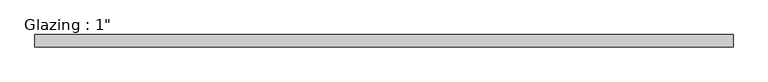
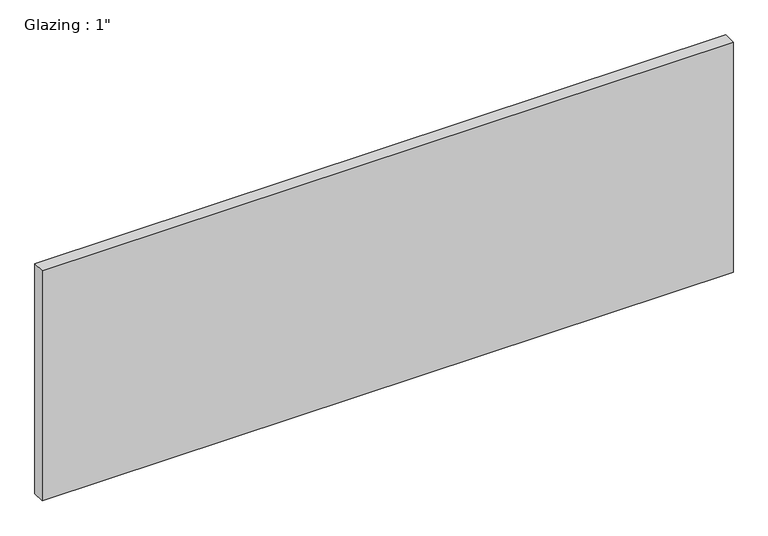
"""IFC4 building model written with IfcOpenShell, lengths in millimetres: plate geometry."""

import ifcopenshell
import ifcopenshell.guid

model = None  # the IFC model being written
_history = None  # IfcOwnerHistory: only IFC2X3 demands one
_inside = {}  # id of a spatial element -> (the spatial element, [elements in it])
_under = {}  # id of a project, library or spatial element -> (it, [spatial elements below it])
_declared = {}  # id of a project -> (the project, [libraries it declares])
_typed = {}  # id of a type object -> (the type object, [elements of that type])
_made_of = {}  # id of a material, layer set ... -> (it, [elements and type objects made of it])


def new_model(schema):
    """Start an empty IFC model of exactly this schema.

    Asked for "IFC4X3", IfcOpenShell would pick the latest addendum, in which some entities
    have other attributes; the version numbers below select the first issue.
    IFC2X3 requires an IfcOwnerHistory on every rooted entity: one is made here for all.
    """
    global model, _history
    if schema == "IFC4X3":
        model = ifcopenshell.file(schema_version=(4, 3, 0, 0))
    else:
        model = ifcopenshell.file(schema=schema)
    _inside.clear()
    _under.clear()
    _declared.clear()
    _typed.clear()
    _made_of.clear()
    _history = None
    if model.schema == "IFC2X3":
        org = make("IfcOrganization", Name="unknown")
        user = make(
            "IfcPersonAndOrganization",
            ThePerson=make("IfcPerson", FamilyName="unknown"),
            TheOrganization=org,
        )
        app = make(
            "IfcApplication",
            ApplicationDeveloper=org,
            Version="unknown",
            ApplicationFullName="unknown",
            ApplicationIdentifier="unknown",
        )
        _history = make(
            "IfcOwnerHistory",
            OwningUser=user,
            OwningApplication=app,
            ChangeAction="ADDED",
            CreationDate=0,
        )
    return model


def make(cls, **values):
    """One entity of the class cls with the attributes given. An attribute that is None is left unset."""
    return model.create_entity(
        cls, **{name: value for name, value in values.items() if value is not None}
    )


def rooted(cls, **values):
    """An entity with a GlobalId (a new one), such as an element, a storey or a relation."""
    return make(cls, GlobalId=ifcopenshell.guid.new(), OwnerHistory=_history, **values)


def si_unit(unit_type, name, prefix=None):
    """IfcSIUnit, for example si_unit("LENGTHUNIT", "METRE", prefix="MILLI")."""
    return make("IfcSIUnit", UnitType=unit_type, Prefix=prefix, Name=name)


def assignment(units):
    """IfcUnitAssignment: the units of a project."""
    return None if units is None else make("IfcUnitAssignment", Units=units)


def point(xyz):
    """IfcCartesianPoint."""
    return None if xyz is None else make("IfcCartesianPoint", Coordinates=xyz)


def direction(xyz):
    """IfcDirection."""
    return None if xyz is None else make("IfcDirection", DirectionRatios=xyz)


def frame(location, z_axis=None, x_axis=None):
    """IfcAxis2Placement3D, a coordinate frame: its origin and axes. An axis left out is left unset."""
    return make(
        "IfcAxis2Placement3D",
        Location=point(location),
        Axis=direction(z_axis),
        RefDirection=direction(x_axis),
    )


def origin():
    """The frame at (0, 0, 0) with its axes left unset."""
    return frame((0.0, 0.0, 0.0))


def origin_with_axes():
    """The frame at (0, 0, 0) with the z axis (0, 0, 1) and the x axis (1, 0, 0) written out."""
    return frame((0.0, 0.0, 0.0), z_axis=(0.0, 0.0, 1.0), x_axis=(1.0, 0.0, 0.0))


def place(relative_to, where):
    """IfcLocalPlacement: puts the frame where relative to a parent placement (None: the world)."""
    return make(
        "IfcLocalPlacement", PlacementRelTo=relative_to, RelativePlacement=where
    )


def context(
    kind, dimensions, precision=None, world=None, true_north=None, identifier=None
):
    """IfcGeometricRepresentationContext, for example the 3D "Model" context."""
    return make(
        "IfcGeometricRepresentationContext",
        ContextIdentifier=identifier,
        ContextType=kind,
        CoordinateSpaceDimension=dimensions,
        Precision=precision,
        WorldCoordinateSystem=world,
        TrueNorth=true_north,
    )


def project(units=None, contexts=None):
    """IfcProject with its units and contexts."""
    return rooted(
        "IfcProject",
        Name="project",
        RepresentationContexts=contexts,
        UnitsInContext=assignment(units),
    )


def spatial(cls, under=None, at=None, **own):
    """A site, building, storey or space (cls), placed at a placement, below another one or the project."""
    s = rooted(cls, ObjectPlacement=at, **own)
    if under is not None:
        _under.setdefault(under.id(), (under, []))[1].append(s)
    return s


def polyline(points):
    """IfcPolyline through the points."""
    return make("IfcPolyline", Points=[point(p) for p in points])


def outline(outer, holes=None, kind="AREA"):
    """IfcArbitraryClosedProfileDef: a profile drawn as a closed curve; with holes, ...WithVoids."""
    if holes is None:
        return make("IfcArbitraryClosedProfileDef", ProfileType=kind, OuterCurve=outer)
    return make(
        "IfcArbitraryProfileDefWithVoids",
        ProfileType=kind,
        OuterCurve=outer,
        InnerCurves=holes,
    )


def extrude(swept, where, along, depth):
    """IfcExtrudedAreaSolid: the profile swept, set in the frame where, extruded along a direction by depth."""
    return make(
        "IfcExtrudedAreaSolid",
        SweptArea=swept,
        Position=where,
        ExtrudedDirection=direction(along),
        Depth=depth,
    )


def shape(context_of_items, identifier, shape_type, items):
    """IfcShapeRepresentation: the items that make up one representation, for example the "Body"."""
    return make(
        "IfcShapeRepresentation",
        ContextOfItems=context_of_items,
        RepresentationIdentifier=identifier,
        RepresentationType=shape_type,
        Items=items,
    )


def source(mapping_origin, context_of_items, identifier, shape_type, items):
    """IfcRepresentationMap: a shape defined once, which mapped items show again and again."""
    return make(
        "IfcRepresentationMap",
        MappingOrigin=mapping_origin,
        MappedRepresentation=shape(context_of_items, identifier, shape_type, items),
    )


def transform(
    local_origin,
    x_axis=None,
    y_axis=None,
    z_axis=None,
    scale=None,
    scale2=None,
    scale3=None,
    uniform=True,
):
    """IfcCartesianTransformationOperator3D, or its non-uniform kind. x_axis, y_axis, z_axis: its Axis1, 2, 3."""
    if uniform:
        return make(
            "IfcCartesianTransformationOperator3D",
            Axis1=direction(x_axis),
            Axis2=direction(y_axis),
            LocalOrigin=point(local_origin),
            Scale=scale,
            Axis3=direction(z_axis),
        )
    return make(
        "IfcCartesianTransformationOperator3DnonUniform",
        Axis1=direction(x_axis),
        Axis2=direction(y_axis),
        LocalOrigin=point(local_origin),
        Scale=scale,
        Axis3=direction(z_axis),
        Scale2=scale2,
        Scale3=scale3,
    )


def mapped(mapping_source, mapping_target):
    """IfcMappedItem: shows the shape of a source again, moved by a transform."""
    return make(
        "IfcMappedItem", MappingSource=mapping_source, MappingTarget=mapping_target
    )


def made_of(thing, what):
    """Note that an element or type object is made of a material, layer set ...; save() writes the relation."""
    if what is not None:
        _made_of.setdefault(what.id(), (what, []))[1].append(thing)
    return thing


def element(
    cls,
    number,
    at=None,
    inside=None,
    cuts=None,
    type_object=None,
    material=None,
    context=None,
    identifier="Body",
    shape_type=None,
    held_by="IfcProductDefinitionShape",
    body=None,
    shapes=None,
    **own,
):
    """One element of the class cls, such as IfcWall. Its Tag is "e" and its number.

    at: its placement. inside: the storey or other place that contains it. cuts: it is an
    opening in that element (IfcRelVoidsElement). A single representation is given by context,
    identifier, shape_type and body (its items); several are given by shapes. held_by: the class
    of the entity that holds the representations. save() writes the other relations.
    """
    e = rooted(cls, Tag="e%d" % number, ObjectPlacement=at, **own)
    if body is not None:
        shapes = [shape(context, identifier, shape_type, body)]
    if shapes is not None:
        e.Representation = make(held_by, Representations=shapes)
    if inside is not None:
        _inside.setdefault(inside.id(), (inside, []))[1].append(e)
    if cuts is not None:
        rooted(
            "IfcRelVoidsElement", RelatingBuildingElement=cuts, RelatedOpeningElement=e
        )
    if type_object is not None:
        _typed.setdefault(type_object.id(), (type_object, []))[1].append(e)
    return made_of(e, material)


def aggregate(whole, parts):
    """IfcRelAggregates: a whole, such as a stair, and the parts it consists of."""
    return rooted("IfcRelAggregates", RelatingObject=whole, RelatedObjects=parts)


def save(model, path):
    """Write the relations noted so far, then the file.

    IfcRelAggregates (storeys below a building ...), IfcRelContainedInSpatialStructure (elements
    in a storey), IfcRelDefinesByType, IfcRelAssociatesMaterial and IfcRelDeclares: one each for
    every whole, place, type object, material and project.
    """
    for whole, parts in _under.values():
        aggregate(whole, parts)
    for where, things in _inside.values():
        rooted(
            "IfcRelContainedInSpatialStructure",
            RelatedElements=things,
            RelatingStructure=where,
        )
    for kind, things in _typed.values():
        rooted("IfcRelDefinesByType", RelatedObjects=things, RelatingType=kind)
    for what, things in _made_of.values():
        rooted("IfcRelAssociatesMaterial", RelatedObjects=things, RelatingMaterial=what)
    for by, libraries in _declared.values():
        rooted("IfcRelDeclares", RelatingContext=by, RelatedDefinitions=libraries)
    model.write(path)


def plate_c7c9b788(model_context):
    return source(origin(), model_context, "Body", "SweptSolid", [
        extrude(outline(polyline([(707.3789731, -12.7), (-707.3789731, -12.7), (-707.3789731, 12.7), (707.3789731, 12.7), (707.3789731, -12.7)])), origin_with_axes(), (0.0, 0.0, 1.0), 497.9851068),
    ])


if __name__ == "__main__":
    model = new_model("IFC4")
    model_context = context("Model", 3, world=origin())
    ifc_project = project(units=[si_unit("LENGTHUNIT", "METRE", prefix="MILLI")], contexts=[model_context])
    site = spatial("IfcSite", under=ifc_project)
    building = spatial("IfcBuilding", under=site)
    placement = place(None, origin())
    plate_shape = plate_c7c9b788(model_context)
    element("IfcPlate", 1, ObjectType="Glazing : 1\"", at=placement, inside=building, context=model_context, shape_type="MappedRepresentation", body=[
        mapped(plate_shape, transform((0.0, 0.0, 0.0), x_axis=(1.0, 0.0, 0.0), y_axis=(0.0, 1.0, 0.0), z_axis=(0.0, 0.0, 1.0))),
    ])
    save(model, "model.ifc")
